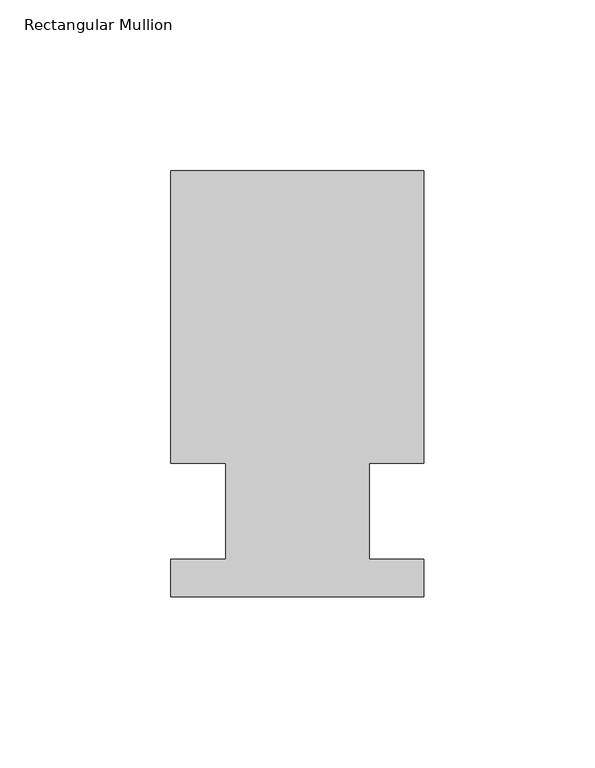
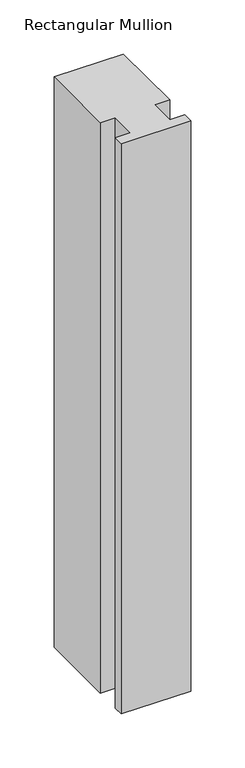
"""IFC4 building model written with IfcOpenShell, lengths in millimetres: member geometry, Rectangular Mullion."""

import ifcopenshell
import ifcopenshell.guid

model = None  # the IFC model being written
_history = None  # IfcOwnerHistory: only IFC2X3 demands one
_inside = {}  # id of a spatial element -> (the spatial element, [elements in it])
_under = {}  # id of a project, library or spatial element -> (it, [spatial elements below it])
_declared = {}  # id of a project -> (the project, [libraries it declares])
_typed = {}  # id of a type object -> (the type object, [elements of that type])
_made_of = {}  # id of a material, layer set ... -> (it, [elements and type objects made of it])


def new_model(schema):
    """Start an empty IFC model of exactly this schema.

    Asked for "IFC4X3", IfcOpenShell would pick the latest addendum, in which some entities
    have other attributes; the version numbers below select the first issue.
    IFC2X3 requires an IfcOwnerHistory on every rooted entity: one is made here for all.
    """
    global model, _history
    if schema == "IFC4X3":
        model = ifcopenshell.file(schema_version=(4, 3, 0, 0))
    else:
        model = ifcopenshell.file(schema=schema)
    _inside.clear()
    _under.clear()
    _declared.clear()
    _typed.clear()
    _made_of.clear()
    _history = None
    if model.schema == "IFC2X3":
        org = make("IfcOrganization", Name="unknown")
        user = make(
            "IfcPersonAndOrganization",
            ThePerson=make("IfcPerson", FamilyName="unknown"),
            TheOrganization=org,
        )
        app = make(
            "IfcApplication",
            ApplicationDeveloper=org,
            Version="unknown",
            ApplicationFullName="unknown",
            ApplicationIdentifier="unknown",
        )
        _history = make(
            "IfcOwnerHistory",
            OwningUser=user,
            OwningApplication=app,
            ChangeAction="ADDED",
            CreationDate=0,
        )
    return model


def make(cls, **values):
    """One entity of the class cls with the attributes given. An attribute that is None is left unset."""
    return model.create_entity(
        cls, **{name: value for name, value in values.items() if value is not None}
    )


def rooted(cls, **values):
    """An entity with a GlobalId (a new one), such as an element, a storey or a relation."""
    return make(cls, GlobalId=ifcopenshell.guid.new(), OwnerHistory=_history, **values)


def si_unit(unit_type, name, prefix=None):
    """IfcSIUnit, for example si_unit("LENGTHUNIT", "METRE", prefix="MILLI")."""
    return make("IfcSIUnit", UnitType=unit_type, Prefix=prefix, Name=name)


def assignment(units):
    """IfcUnitAssignment: the units of a project."""
    return None if units is None else make("IfcUnitAssignment", Units=units)


def point(xyz):
    """IfcCartesianPoint."""
    return None if xyz is None else make("IfcCartesianPoint", Coordinates=xyz)


def direction(xyz):
    """IfcDirection."""
    return None if xyz is None else make("IfcDirection", DirectionRatios=xyz)


def frame(location, z_axis=None, x_axis=None):
    """IfcAxis2Placement3D, a coordinate frame: its origin and axes. An axis left out is left unset."""
    return make(
        "IfcAxis2Placement3D",
        Location=point(location),
        Axis=direction(z_axis),
        RefDirection=direction(x_axis),
    )


def origin():
    """The frame at (0, 0, 0) with its axes left unset."""
    return frame((0.0, 0.0, 0.0))


def place(relative_to, where):
    """IfcLocalPlacement: puts the frame where relative to a parent placement (None: the world)."""
    return make(
        "IfcLocalPlacement", PlacementRelTo=relative_to, RelativePlacement=where
    )


def context(
    kind, dimensions, precision=None, world=None, true_north=None, identifier=None
):
    """IfcGeometricRepresentationContext, for example the 3D "Model" context."""
    return make(
        "IfcGeometricRepresentationContext",
        ContextIdentifier=identifier,
        ContextType=kind,
        CoordinateSpaceDimension=dimensions,
        Precision=precision,
        WorldCoordinateSystem=world,
        TrueNorth=true_north,
    )


def project(units=None, contexts=None):
    """IfcProject with its units and contexts."""
    return rooted(
        "IfcProject",
        Name="project",
        RepresentationContexts=contexts,
        UnitsInContext=assignment(units),
    )


def spatial(cls, under=None, at=None, **own):
    """A site, building, storey or space (cls), placed at a placement, below another one or the project."""
    s = rooted(cls, ObjectPlacement=at, **own)
    if under is not None:
        _under.setdefault(under.id(), (under, []))[1].append(s)
    return s


def polyline(points):
    """IfcPolyline through the points."""
    return make("IfcPolyline", Points=[point(p) for p in points])


def outline(outer, holes=None, kind="AREA"):
    """IfcArbitraryClosedProfileDef: a profile drawn as a closed curve; with holes, ...WithVoids."""
    if holes is None:
        return make("IfcArbitraryClosedProfileDef", ProfileType=kind, OuterCurve=outer)
    return make(
        "IfcArbitraryProfileDefWithVoids",
        ProfileType=kind,
        OuterCurve=outer,
        InnerCurves=holes,
    )


def extrude(swept, where, along, depth):
    """IfcExtrudedAreaSolid: the profile swept, set in the frame where, extruded along a direction by depth."""
    return make(
        "IfcExtrudedAreaSolid",
        SweptArea=swept,
        Position=where,
        ExtrudedDirection=direction(along),
        Depth=depth,
    )


def shape(context_of_items, identifier, shape_type, items):
    """IfcShapeRepresentation: the items that make up one representation, for example the "Body"."""
    return make(
        "IfcShapeRepresentation",
        ContextOfItems=context_of_items,
        RepresentationIdentifier=identifier,
        RepresentationType=shape_type,
        Items=items,
    )


def source(mapping_origin, context_of_items, identifier, shape_type, items):
    """IfcRepresentationMap: a shape defined once, which mapped items show again and again."""
    return make(
        "IfcRepresentationMap",
        MappingOrigin=mapping_origin,
        MappedRepresentation=shape(context_of_items, identifier, shape_type, items),
    )


def transform(
    local_origin,
    x_axis=None,
    y_axis=None,
    z_axis=None,
    scale=None,
    scale2=None,
    scale3=None,
    uniform=True,
):
    """IfcCartesianTransformationOperator3D, or its non-uniform kind. x_axis, y_axis, z_axis: its Axis1, 2, 3."""
    if uniform:
        return make(
            "IfcCartesianTransformationOperator3D",
            Axis1=direction(x_axis),
            Axis2=direction(y_axis),
            LocalOrigin=point(local_origin),
            Scale=scale,
            Axis3=direction(z_axis),
        )
    return make(
        "IfcCartesianTransformationOperator3DnonUniform",
        Axis1=direction(x_axis),
        Axis2=direction(y_axis),
        LocalOrigin=point(local_origin),
        Scale=scale,
        Axis3=direction(z_axis),
        Scale2=scale2,
        Scale3=scale3,
    )


def mapped(mapping_source, mapping_target):
    """IfcMappedItem: shows the shape of a source again, moved by a transform."""
    return make(
        "IfcMappedItem", MappingSource=mapping_source, MappingTarget=mapping_target
    )


def made_of(thing, what):
    """Note that an element or type object is made of a material, layer set ...; save() writes the relation."""
    if what is not None:
        _made_of.setdefault(what.id(), (what, []))[1].append(thing)
    return thing


def element(
    cls,
    number,
    at=None,
    inside=None,
    cuts=None,
    type_object=None,
    material=None,
    context=None,
    identifier="Body",
    shape_type=None,
    held_by="IfcProductDefinitionShape",
    body=None,
    shapes=None,
    **own,
):
    """One element of the class cls, such as IfcWall. Its Tag is "e" and its number.

    at: its placement. inside: the storey or other place that contains it. cuts: it is an
    opening in that element (IfcRelVoidsElement). A single representation is given by context,
    identifier, shape_type and body (its items); several are given by shapes. held_by: the class
    of the entity that holds the representations. save() writes the other relations.
    """
    e = rooted(cls, Tag="e%d" % number, ObjectPlacement=at, **own)
    if body is not None:
        shapes = [shape(context, identifier, shape_type, body)]
    if shapes is not None:
        e.Representation = make(held_by, Representations=shapes)
    if inside is not None:
        _inside.setdefault(inside.id(), (inside, []))[1].append(e)
    if cuts is not None:
        rooted(
            "IfcRelVoidsElement", RelatingBuildingElement=cuts, RelatedOpeningElement=e
        )
    if type_object is not None:
        _typed.setdefault(type_object.id(), (type_object, []))[1].append(e)
    return made_of(e, material)


def aggregate(whole, parts):
    """IfcRelAggregates: a whole, such as a stair, and the parts it consists of."""
    return rooted("IfcRelAggregates", RelatingObject=whole, RelatedObjects=parts)


def save(model, path):
    """Write the relations noted so far, then the file.

    IfcRelAggregates (storeys below a building ...), IfcRelContainedInSpatialStructure (elements
    in a storey), IfcRelDefinesByType, IfcRelAssociatesMaterial and IfcRelDeclares: one each for
    every whole, place, type object, material and project.
    """
    for whole, parts in _under.values():
        aggregate(whole, parts)
    for where, things in _inside.values():
        rooted(
            "IfcRelContainedInSpatialStructure",
            RelatedElements=things,
            RelatingStructure=where,
        )
    for kind, things in _typed.values():
        rooted("IfcRelDefinesByType", RelatedObjects=things, RelatingType=kind)
    for what, things in _made_of.values():
        rooted("IfcRelAssociatesMaterial", RelatedObjects=things, RelatingMaterial=what)
    for by, libraries in _declared.values():
        rooted("IfcRelDeclares", RelatingContext=by, RelatedDefinitions=libraries)
    model.write(path)


def rectangular_mullion_a227a976(model_context):
    return source(origin(), model_context, "Body", "SweptSolid", [
        extrude(outline(polyline([(-20.9800745, 13.9998907), (-37.0, 13.9998907), (-37.0, 99.5), (37.0, 99.5), (37.0, 13.9998907), (20.9800745, 13.9998907), (20.9800745, -14.0), (36.9800745, -14.0), (36.9800745, -25.0), (-37.0, -25.0), (-37.0, -14.0), (-20.9800745, -14.0), (-20.9800745, 13.9998907)])), frame((0.0, 0.0, -643.9037852), z_axis=(0.0, 0.0, 1.0), x_axis=(1.0, 0.0, 0.0)), (0.0, 0.0, 1.0), 643.9037852),
    ])


if __name__ == "__main__":
    model = new_model("IFC4")
    model_context = context("Model", 3, world=origin())
    ifc_project = project(units=[si_unit("LENGTHUNIT", "METRE", prefix="MILLI")], contexts=[model_context])
    site = spatial("IfcSite", under=ifc_project)
    building = spatial("IfcBuilding", under=site)
    placement = place(None, origin())
    rectangular_mullion_shape = rectangular_mullion_a227a976(model_context)
    element("IfcMember", 1, ObjectType="Rectangular Mullion", at=placement, inside=building, context=model_context, shape_type="MappedRepresentation", body=[
        mapped(rectangular_mullion_shape, transform((0.0, 0.0, 0.0), x_axis=(1.0, 0.0, 0.0), y_axis=(0.0, 1.0, 0.0), z_axis=(0.0, 0.0, 1.0))),
    ])
    save(model, "model.ifc")
